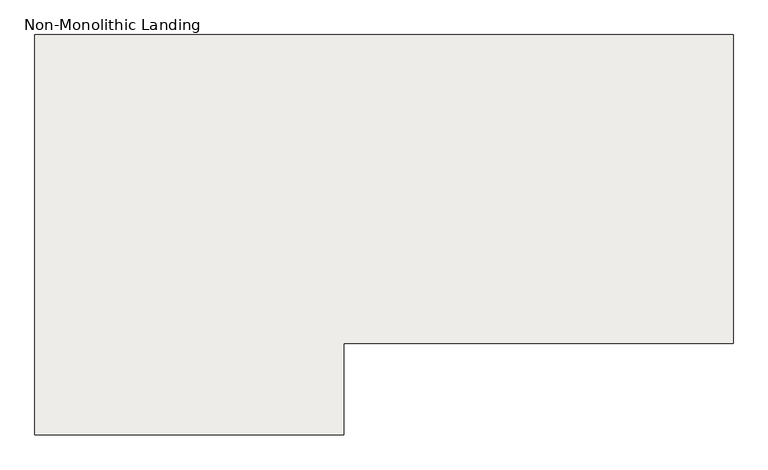
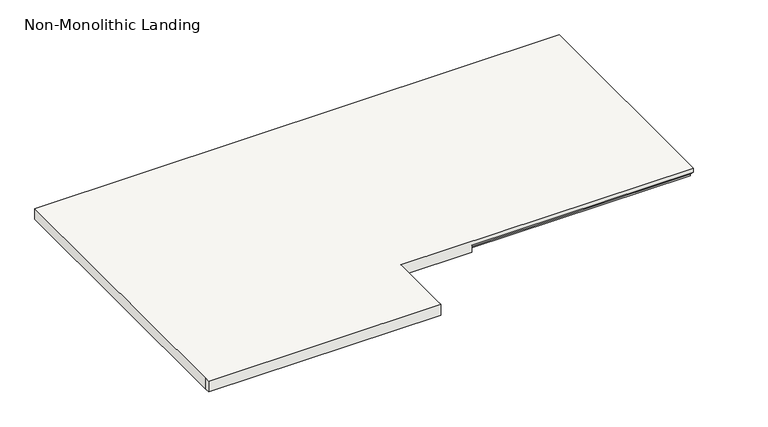
"""IFC4 building model written with IfcOpenShell, lengths in millimetres: slab geometry, Non-Monolithic Landing."""

import ifcopenshell
import ifcopenshell.guid

model = None  # the IFC model being written
_history = None  # IfcOwnerHistory: only IFC2X3 demands one
_inside = {}  # id of a spatial element -> (the spatial element, [elements in it])
_under = {}  # id of a project, library or spatial element -> (it, [spatial elements below it])
_declared = {}  # id of a project -> (the project, [libraries it declares])
_typed = {}  # id of a type object -> (the type object, [elements of that type])
_made_of = {}  # id of a material, layer set ... -> (it, [elements and type objects made of it])


def new_model(schema):
    """Start an empty IFC model of exactly this schema.

    Asked for "IFC4X3", IfcOpenShell would pick the latest addendum, in which some entities
    have other attributes; the version numbers below select the first issue.
    IFC2X3 requires an IfcOwnerHistory on every rooted entity: one is made here for all.
    """
    global model, _history
    if schema == "IFC4X3":
        model = ifcopenshell.file(schema_version=(4, 3, 0, 0))
    else:
        model = ifcopenshell.file(schema=schema)
    _inside.clear()
    _under.clear()
    _declared.clear()
    _typed.clear()
    _made_of.clear()
    _history = None
    if model.schema == "IFC2X3":
        org = make("IfcOrganization", Name="unknown")
        user = make(
            "IfcPersonAndOrganization",
            ThePerson=make("IfcPerson", FamilyName="unknown"),
            TheOrganization=org,
        )
        app = make(
            "IfcApplication",
            ApplicationDeveloper=org,
            Version="unknown",
            ApplicationFullName="unknown",
            ApplicationIdentifier="unknown",
        )
        _history = make(
            "IfcOwnerHistory",
            OwningUser=user,
            OwningApplication=app,
            ChangeAction="ADDED",
            CreationDate=0,
        )
    return model


def make(cls, **values):
    """One entity of the class cls with the attributes given. An attribute that is None is left unset."""
    return model.create_entity(
        cls, **{name: value for name, value in values.items() if value is not None}
    )


def rooted(cls, **values):
    """An entity with a GlobalId (a new one), such as an element, a storey or a relation."""
    return make(cls, GlobalId=ifcopenshell.guid.new(), OwnerHistory=_history, **values)


def si_unit(unit_type, name, prefix=None):
    """IfcSIUnit, for example si_unit("LENGTHUNIT", "METRE", prefix="MILLI")."""
    return make("IfcSIUnit", UnitType=unit_type, Prefix=prefix, Name=name)


def assignment(units):
    """IfcUnitAssignment: the units of a project."""
    return None if units is None else make("IfcUnitAssignment", Units=units)


def point(xyz):
    """IfcCartesianPoint."""
    return None if xyz is None else make("IfcCartesianPoint", Coordinates=xyz)


def direction(xyz):
    """IfcDirection."""
    return None if xyz is None else make("IfcDirection", DirectionRatios=xyz)


def frame(location, z_axis=None, x_axis=None):
    """IfcAxis2Placement3D, a coordinate frame: its origin and axes. An axis left out is left unset."""
    return make(
        "IfcAxis2Placement3D",
        Location=point(location),
        Axis=direction(z_axis),
        RefDirection=direction(x_axis),
    )


def origin():
    """The frame at (0, 0, 0) with its axes left unset."""
    return frame((0.0, 0.0, 0.0))


def place(relative_to, where):
    """IfcLocalPlacement: puts the frame where relative to a parent placement (None: the world)."""
    return make(
        "IfcLocalPlacement", PlacementRelTo=relative_to, RelativePlacement=where
    )


def context(
    kind, dimensions, precision=None, world=None, true_north=None, identifier=None
):
    """IfcGeometricRepresentationContext, for example the 3D "Model" context."""
    return make(
        "IfcGeometricRepresentationContext",
        ContextIdentifier=identifier,
        ContextType=kind,
        CoordinateSpaceDimension=dimensions,
        Precision=precision,
        WorldCoordinateSystem=world,
        TrueNorth=true_north,
    )


def project(units=None, contexts=None):
    """IfcProject with its units and contexts."""
    return rooted(
        "IfcProject",
        Name="project",
        RepresentationContexts=contexts,
        UnitsInContext=assignment(units),
    )


def spatial(cls, under=None, at=None, **own):
    """A site, building, storey or space (cls), placed at a placement, below another one or the project."""
    s = rooted(cls, ObjectPlacement=at, **own)
    if under is not None:
        _under.setdefault(under.id(), (under, []))[1].append(s)
    return s


def faces_of(points, faces, orient=None, outer=None):
    """IfcFace entities. A face is a list of loops; a loop is a list of indices into points, from 0.

    orient and outer hold one flag for each loop. By default every Orientation is true, the
    first loop of a face is its IfcFaceOuterBound and the others are IfcFaceBound.
    """
    made = []
    for i, loops in enumerate(faces):
        bounds = []
        for j, loop in enumerate(loops):
            is_outer = j == 0 if outer is None else outer[i][j]
            bounds.append(
                make(
                    "IfcFaceOuterBound" if is_outer else "IfcFaceBound",
                    Bound=make("IfcPolyLoop", Polygon=[points[k] for k in loop]),
                    Orientation=True if orient is None else orient[i][j],
                )
            )
        made.append(make("IfcFace", Bounds=bounds))
    return made


def faceted_brep(points, faces, orient=None, outer=None, voids=None):
    """IfcFacetedBrep: a solid bounded by flat faces; with voids (closed shells), ...WithVoids."""
    shared = [point(p) for p in points]
    hull = make("IfcClosedShell", CfsFaces=faces_of(shared, faces, orient, outer))
    if voids is None:
        return make("IfcFacetedBrep", Outer=hull)
    return make(
        "IfcFacetedBrepWithVoids",
        Outer=hull,
        Voids=[
            make(cls, CfsFaces=faces_of(shared, fs, o, b)) for cls, fs, o, b in voids
        ],
    )


def shape(context_of_items, identifier, shape_type, items):
    """IfcShapeRepresentation: the items that make up one representation, for example the "Body"."""
    return make(
        "IfcShapeRepresentation",
        ContextOfItems=context_of_items,
        RepresentationIdentifier=identifier,
        RepresentationType=shape_type,
        Items=items,
    )


def source(mapping_origin, context_of_items, identifier, shape_type, items):
    """IfcRepresentationMap: a shape defined once, which mapped items show again and again."""
    return make(
        "IfcRepresentationMap",
        MappingOrigin=mapping_origin,
        MappedRepresentation=shape(context_of_items, identifier, shape_type, items),
    )


def transform(
    local_origin,
    x_axis=None,
    y_axis=None,
    z_axis=None,
    scale=None,
    scale2=None,
    scale3=None,
    uniform=True,
):
    """IfcCartesianTransformationOperator3D, or its non-uniform kind. x_axis, y_axis, z_axis: its Axis1, 2, 3."""
    if uniform:
        return make(
            "IfcCartesianTransformationOperator3D",
            Axis1=direction(x_axis),
            Axis2=direction(y_axis),
            LocalOrigin=point(local_origin),
            Scale=scale,
            Axis3=direction(z_axis),
        )
    return make(
        "IfcCartesianTransformationOperator3DnonUniform",
        Axis1=direction(x_axis),
        Axis2=direction(y_axis),
        LocalOrigin=point(local_origin),
        Scale=scale,
        Axis3=direction(z_axis),
        Scale2=scale2,
        Scale3=scale3,
    )


def mapped(mapping_source, mapping_target):
    """IfcMappedItem: shows the shape of a source again, moved by a transform."""
    return make(
        "IfcMappedItem", MappingSource=mapping_source, MappingTarget=mapping_target
    )


def made_of(thing, what):
    """Note that an element or type object is made of a material, layer set ...; save() writes the relation."""
    if what is not None:
        _made_of.setdefault(what.id(), (what, []))[1].append(thing)
    return thing


def element(
    cls,
    number,
    at=None,
    inside=None,
    cuts=None,
    type_object=None,
    material=None,
    context=None,
    identifier="Body",
    shape_type=None,
    held_by="IfcProductDefinitionShape",
    body=None,
    shapes=None,
    **own,
):
    """One element of the class cls, such as IfcWall. Its Tag is "e" and its number.

    at: its placement. inside: the storey or other place that contains it. cuts: it is an
    opening in that element (IfcRelVoidsElement). A single representation is given by context,
    identifier, shape_type and body (its items); several are given by shapes. held_by: the class
    of the entity that holds the representations. save() writes the other relations.
    """
    e = rooted(cls, Tag="e%d" % number, ObjectPlacement=at, **own)
    if body is not None:
        shapes = [shape(context, identifier, shape_type, body)]
    if shapes is not None:
        e.Representation = make(held_by, Representations=shapes)
    if inside is not None:
        _inside.setdefault(inside.id(), (inside, []))[1].append(e)
    if cuts is not None:
        rooted(
            "IfcRelVoidsElement", RelatingBuildingElement=cuts, RelatedOpeningElement=e
        )
    if type_object is not None:
        _typed.setdefault(type_object.id(), (type_object, []))[1].append(e)
    return made_of(e, material)


def aggregate(whole, parts):
    """IfcRelAggregates: a whole, such as a stair, and the parts it consists of."""
    return rooted("IfcRelAggregates", RelatingObject=whole, RelatedObjects=parts)


def save(model, path):
    """Write the relations noted so far, then the file.

    IfcRelAggregates (storeys below a building ...), IfcRelContainedInSpatialStructure (elements
    in a storey), IfcRelDefinesByType, IfcRelAssociatesMaterial and IfcRelDeclares: one each for
    every whole, place, type object, material and project.
    """
    for whole, parts in _under.values():
        aggregate(whole, parts)
    for where, things in _inside.values():
        rooted(
            "IfcRelContainedInSpatialStructure",
            RelatedElements=things,
            RelatingStructure=where,
        )
    for kind, things in _typed.values():
        rooted("IfcRelDefinesByType", RelatedObjects=things, RelatingType=kind)
    for what, things in _made_of.values():
        rooted("IfcRelAssociatesMaterial", RelatedObjects=things, RelatingMaterial=what)
    for by, libraries in _declared.values():
        rooted("IfcRelDeclares", RelatingContext=by, RelatedDefinitions=libraries)
    model.write(path)


def non_monolithic_landing_f62e742c(model_context):
    return source(origin(), model_context, "Body", "Brep", [
        faceted_brep([(8505.8069555, 6447.7720312, 38034.6857143), (6181.7069555, 6447.7720312, 38034.6857143), (6181.7069555, 5140.0460566, 38034.6857143), (6181.7069555, 5114.6460566, 38034.6857143), (7210.0329301, 5114.6460566, 38034.6857143), (7210.0329301, 5140.0460566, 38034.6857143), (7210.0329301, 5419.4460566, 38034.6857143), (8505.8069555, 5419.4460566, 38034.6857143), (7524.3171784, 5444.8460566, 37983.8857143), (7524.3171784, 5419.4460566, 37983.8857143), (7210.0329301, 5419.4460566, 37983.8857143), (7210.0329301, 5140.0460566, 37983.8857143), (7210.0329301, 5114.6460566, 37983.8857143), (6181.7069555, 5114.6460566, 37983.8857143), (6181.7069555, 5140.0460566, 37983.8857143), (6181.7069555, 6447.7720312, 37983.8857143), (8505.8069555, 6447.7720312, 37983.8857143), (8505.8069555, 5444.8460566, 37983.8857143), (7524.3171784, 5444.8460566, 37990.2357143), (7524.3171784, 5419.4460566, 38015.6357143), (8505.8069555, 5444.8460566, 37990.2357143), (8505.8069555, 5419.4460566, 38015.6357143)], [[[0, 1, 2, 3, 4, 5, 6, 7]], [[8, 9, 10, 11, 12, 13, 14, 15, 16, 17]], [[9, 8, 18, 19]], [[8, 17, 20, 18]], [[0, 7, 21, 20, 17, 16]], [[1, 0, 16, 15]], [[2, 1, 15, 14]], [[3, 2, 14, 13]], [[4, 3, 13, 12]], [[5, 4, 12, 11]], [[6, 5, 11, 10]], [[7, 6, 10, 9, 19, 21]], [[20, 21, 19, 18]]]),
    ])


if __name__ == "__main__":
    model = new_model("IFC4")
    model_context = context("Model", 3, world=origin())
    ifc_project = project(units=[si_unit("LENGTHUNIT", "METRE", prefix="MILLI")], contexts=[model_context])
    site = spatial("IfcSite", under=ifc_project)
    building = spatial("IfcBuilding", under=site)
    placement = place(None, origin())
    non_monolithic_landing_shape = non_monolithic_landing_f62e742c(model_context)
    element("IfcSlab", 1, ObjectType="Non-Monolithic Landing", at=placement, inside=building, context=model_context, shape_type="MappedRepresentation", body=[
        mapped(non_monolithic_landing_shape, transform((0.0, 0.0, 0.0), x_axis=(1.0, 0.0, 0.0), y_axis=(0.0, 1.0, 0.0), z_axis=(0.0, 0.0, 1.0))),
    ])
    save(model, "model.ifc")
